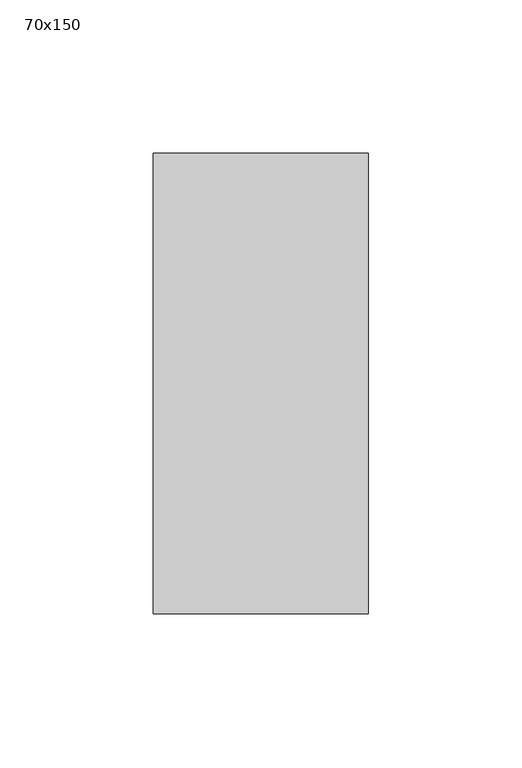
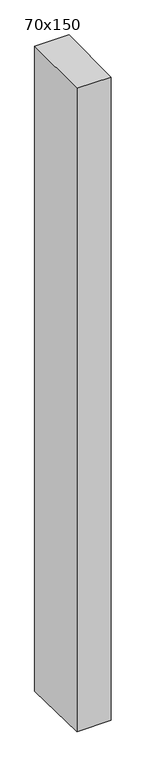
"""IFC4 building model written with IfcOpenShell, lengths in millimetres: member geometry, 70x150."""

from ifc_helpers import new_model, si_unit, frame, origin, place, context, project, spatial, polyline, outline, extrude, source, transform, mapped, element, save


def member_70x150_c1e71303(model_context):
    return source(origin(), model_context, "Body", "SweptSolid", [
        extrude(outline(polyline([(-75.0, -0.1992642), (75.0, 0.1992642), (75.0, -1396.820836), (-75.0, -1394.0424355), (-75.0, -0.1992642)])), frame((-70.0, 0.0, 0.0), z_axis=(1.0, 0.0, 0.0), x_axis=(0.0, 1.0, 0.0)), (0.0, 0.0, 1.0), 70.0),
    ])


if __name__ == "__main__":
    model = new_model("IFC4")
    model_context = context("Model", 3, world=origin())
    ifc_project = project(units=[si_unit("LENGTHUNIT", "METRE", prefix="MILLI")], contexts=[model_context])
    site = spatial("IfcSite", under=ifc_project)
    building = spatial("IfcBuilding", under=site)
    placement = place(None, origin())
    member_70x150_shape = member_70x150_c1e71303(model_context)
    element("IfcMember", 1, ObjectType="70x150", at=placement, inside=building, context=model_context, shape_type="MappedRepresentation", body=[
        mapped(member_70x150_shape, transform((0.0, 0.0, 0.0), x_axis=(1.0, 0.0, 0.0), y_axis=(0.0, 1.0, 0.0), z_axis=(0.0, 0.0, 1.0))),
    ])
    save(model, "model.ifc")
